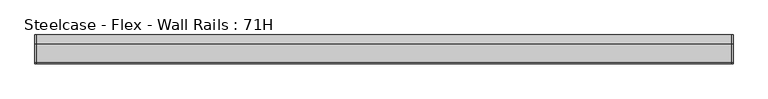
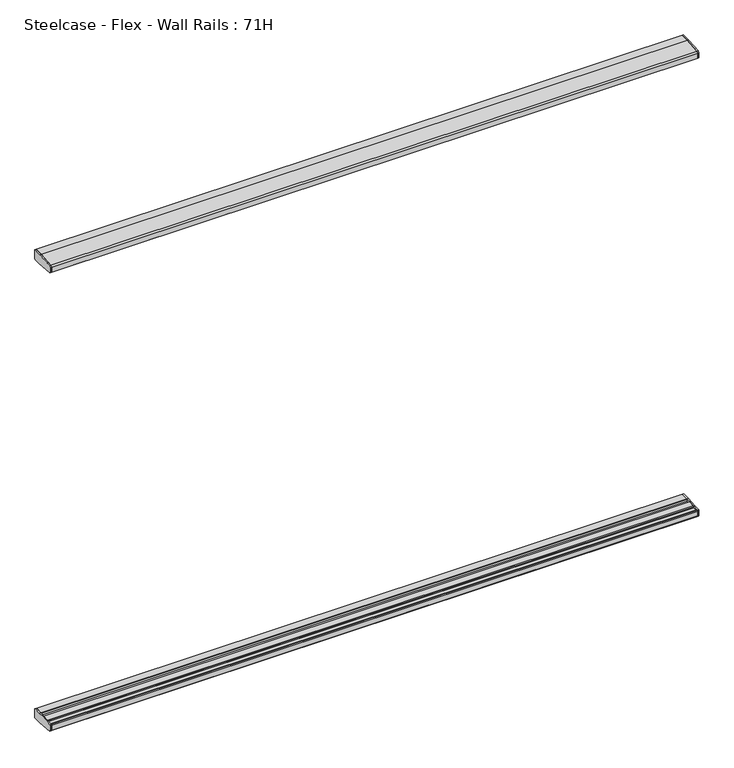
"""IFC4 building model written with IfcOpenShell, lengths in millimetres: furniture geometry, Steelcase - Flex - Wall Rails : 71H."""

from ifc_helpers import new_model, si_unit, frame, origin, place, context, project, spatial, polyline, outline, extrude, source, transform, mapped, element, save


def steelcase_flex_wall_rails_71h_362a3121(model_context):
    return source(origin(), model_context, "Body", "SweptSolid", [
        extrude(outline(polyline([(-29.748384, 494.399958), (-2.0015978, 494.399958), (0.0, 492.39833), (0.0, 457.2), (-31.7483991, 457.2), (-95.5653908, 462.6914284), (-99.9999601, 467.5239814), (-99.9999601, 486.7480995), (-98.0172056, 488.9021347), (-73.1435844, 490.9657693), (-50.3978144, 493.0470375), (-29.748384, 494.399958)])), frame((2433.7719062, 0.0, 0.0), z_axis=(1.0, 0.0, 0.0), x_axis=(0.0, 1.0, 0.0)), (0.0, 0.0, 1.0), 4.9857422),
        extrude(outline(polyline([(-29.748384, 2278.9875964), (-50.3978144, 2280.3405169), (-73.1435844, 2282.4217851), (-98.0172056, 2284.4854198), (-99.9999601, 2286.639455), (-99.9999601, 2305.8635731), (-95.5653908, 2310.6961261), (-31.7483991, 2316.1875545), (0.0, 2316.1875545), (0.0, 2280.9892245), (-2.0015978, 2278.9875964), (-29.748384, 2278.9875964)])), frame((2433.7719062, 0.0, 0.0), z_axis=(1.0, 0.0, 0.0), x_axis=(0.0, 1.0, 0.0)), (0.0, 0.0, 1.0), 4.9857422),
        extrude(outline(polyline([(-29.748384, 494.399958), (-2.0015978, 494.399958), (0.0, 492.39833), (0.0, 457.2), (-31.7483991, 457.2), (-95.5653908, 462.6914284), (-99.9999601, 467.5239814), (-99.9999601, 486.7480995), (-98.0172056, 488.9021347), (-73.1435844, 490.9657693), (-50.3978144, 493.0470375), (-29.748384, 494.399958)])), frame((0.0, 0.0, 0.0), z_axis=(1.0, 0.0, 0.0), x_axis=(0.0, 1.0, 0.0)), (0.0, 0.0, 1.0), 4.9857422),
        extrude(outline(polyline([(-29.748384, 2278.9875964), (-50.3978144, 2280.3405169), (-73.1435844, 2282.4217851), (-98.0172056, 2284.4854198), (-99.9999601, 2286.639455), (-99.9999601, 2305.8635731), (-95.5653908, 2310.6961261), (-31.7483991, 2316.1875545), (0.0, 2316.1875545), (0.0, 2280.9892245), (-2.0015978, 2278.9875964), (-29.748384, 2278.9875964)])), frame((0.0, 0.0, 0.0), z_axis=(1.0, 0.0, 0.0), x_axis=(0.0, 1.0, 0.0)), (0.0, 0.0, 1.0), 4.9857422),
        extrude(outline(polyline([(0.0, 492.39833), (0.0, 457.2), (-31.7483991, 457.2), (-95.5653908, 462.6914284), (-99.9999606, 467.5239822), (-99.9999598, 486.7480995), (-98.0172056, 488.9021347), (-93.9826847, 489.2368579), (-91.9999743, 487.4118187), (-91.9999735, 484.9937772), (-75.1383227, 484.9937772), (-75.1383233, 488.7986526), (-73.1435844, 490.9657693), (-50.3978144, 493.0470375), (-48.4030258, 491.016882), (-48.4030258, 484.9937772), (-31.7499758, 484.9937772), (-31.7499758, 492.398336), (-29.748384, 494.399958), (-2.0015978, 494.399958), (0.0, 492.39833)])), frame((4.9857422, 0.0, 0.0), z_axis=(1.0, 0.0, 0.0), x_axis=(0.0, 1.0, 0.0)), (0.0, 0.0, 1.0), 2428.786164),
        extrude(outline(polyline([(0.0, 2280.9892245), (-2.0015978, 2278.9875964), (-29.748384, 2278.9875964), (-31.7499758, 2280.9892185), (-31.7499758, 2288.3937772), (-48.4030258, 2288.3937772), (-48.4030258, 2282.3706725), (-50.3978144, 2280.3405169), (-73.1435844, 2282.4217851), (-75.1383233, 2284.5889019), (-75.1383227, 2288.3937772), (-91.9999735, 2288.3937772), (-91.9999743, 2285.9757358), (-93.9826847, 2284.1506966), (-98.0172056, 2284.4854198), (-99.9999601, 2286.6394553), (-99.9999601, 2305.8635728), (-95.5653908, 2310.6961261), (-31.7483991, 2316.1875545), (0.0, 2316.1875545), (0.0, 2280.9892245)])), frame((4.9857422, 0.0, 0.0), z_axis=(1.0, 0.0, 0.0), x_axis=(0.0, 1.0, 0.0)), (0.0, 0.0, 1.0), 2428.786164),
    ])


if __name__ == "__main__":
    model = new_model("IFC4")
    model_context = context("Model", 3, world=origin())
    ifc_project = project(units=[si_unit("LENGTHUNIT", "METRE", prefix="MILLI")], contexts=[model_context])
    site = spatial("IfcSite", under=ifc_project)
    building = spatial("IfcBuilding", under=site)
    placement = place(None, origin())
    steelcase_flex_wall_rails_71h_shape = steelcase_flex_wall_rails_71h_362a3121(model_context)
    element("IfcFurniture", 1, ObjectType="Steelcase - Flex - Wall Rails : 71H", at=placement, inside=building, context=model_context, shape_type="MappedRepresentation", body=[
        mapped(steelcase_flex_wall_rails_71h_shape, transform((0.0, 0.0, 0.0), x_axis=(1.0, 0.0, 0.0), y_axis=(0.0, 1.0, 0.0), z_axis=(0.0, 0.0, 1.0))),
    ])
    save(model, "model.ifc")
